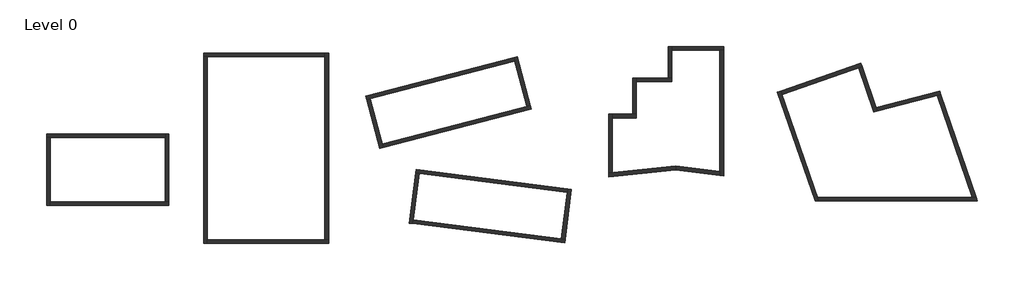
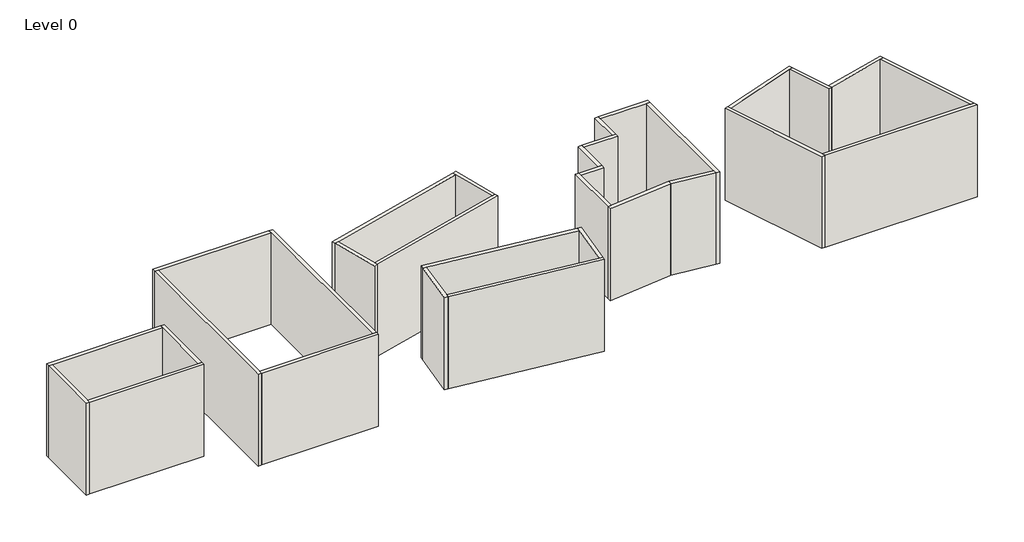
# One storey: 31 walls.
"""IFC4 building model written with IfcOpenShell, lengths in millimetres."""

from ifc_helpers import new_model, si_unit, origin, origin_with_axes, place, context, project, spatial, polyline, outline, extrude, faceted_brep, element, save

model = new_model("IFC4")

# Units and contexts
model_context = context("Model", 3, world=origin())
ifc_project = project(units=[si_unit("LENGTHUNIT", "METRE", prefix="MILLI")], contexts=[model_context])

# Site, building, storey
site = spatial("IfcSite", under=ifc_project)
building = spatial("IfcBuilding", under=site)
storey = spatial("IfcBuildingStorey", under=building, Name="Level 0", Elevation=0.0)

# Walls
placement = place(None, origin())
element("IfcWall", 1, at=placement, inside=storey, context=model_context, shape_type="Brep", body=[
    faceted_brep([(-11228.3364733, 3106.8030181, 0.0), (-10938.3364733, 3106.8030181, 0.0), (-1828.3364733, 3106.8030181, 0.0), (-1828.3364733, 3106.8030181, 8000.0), (-10938.3364733, 3106.8030181, 8000.0), (-11228.3364733, 3106.8030181, 8000.0), (-11228.3364733, 3396.8030181, 0.0), (-11228.3364733, 3396.8030181, 8000.0), (-1828.3364733, 3396.8030181, 8000.0), (-1828.3364733, 3396.8030181, 0.0)], [[[0, 1, 2, 3, 4, 5]], [[6, 7, 8, 9]], [[2, 1, 0, 6, 9]], [[5, 4, 3, 8, 7]], [[0, 5, 7, 6]], [[3, 2, 9, 8]]]),
])
element("IfcWall", 2, at=placement, inside=storey, context=model_context, shape_type="Brep", body=[
    faceted_brep([(-10938.3364733, -2293.1969819, 0.0), (-10938.3364733, -2003.1969819, 0.0), (-10938.3364733, 3106.8030181, 0.0), (-10938.3364733, 3106.8030181, 8000.0), (-10938.3364733, -2003.1969819, 8000.0), (-10938.3364733, -2293.1969819, 8000.0), (-11228.3364733, -2293.1969819, 0.0), (-11228.3364733, -2293.1969819, 8000.0), (-11228.3364733, 3106.8030181, 8000.0), (-11228.3364733, 3106.8030181, 0.0)], [[[0, 1, 2, 3, 4, 5]], [[6, 7, 8, 9]], [[2, 1, 0, 6, 9]], [[5, 4, 3, 8, 7]], [[0, 5, 7, 6]], [[3, 2, 9, 8]]]),
])
element("IfcWall", 3, at=placement, inside=storey, context=model_context, shape_type="Brep", body=[
    faceted_brep([(-1538.3364733, -2003.1969819, 0.0), (-1828.3364733, -2003.1969819, 0.0), (-10938.3364733, -2003.1969819, 0.0), (-10938.3364733, -2003.1969819, 8000.0), (-1828.3364733, -2003.1969819, 8000.0), (-1538.3364733, -2003.1969819, 8000.0), (-1538.3364733, -2293.1969819, 0.0), (-1538.3364733, -2293.1969819, 8000.0), (-10938.3364733, -2293.1969819, 8000.0), (-10938.3364733, -2293.1969819, 0.0)], [[[0, 1, 2, 3, 4, 5]], [[6, 7, 8, 9]], [[2, 1, 0, 6, 9]], [[5, 4, 3, 8, 7]], [[0, 5, 7, 6]], [[3, 2, 9, 8]]]),
])
element("IfcWall", 4, at=placement, inside=storey, context=model_context, shape_type="Brep", body=[
    faceted_brep([(-1828.3364733, 3396.8030181, 0.0), (-1828.3364733, 3106.8030181, 0.0), (-1828.3364733, -2003.1969819, 0.0), (-1828.3364733, -2003.1969819, 8000.0), (-1828.3364733, 3106.8030181, 8000.0), (-1828.3364733, 3396.8030181, 8000.0), (-1538.3364733, 3396.8030181, 0.0), (-1538.3364733, 3396.8030181, 8000.0), (-1538.3364733, -2003.1969819, 8000.0), (-1538.3364733, -2003.1969819, 0.0)], [[[0, 1, 2, 3, 4, 5]], [[6, 7, 8, 9]], [[2, 1, 0, 6, 9]], [[5, 4, 3, 8, 7]], [[0, 5, 7, 6]], [[3, 2, 9, 8]]]),
])
element("IfcWall", 5, at=placement, inside=storey, context=model_context, shape_type="Brep", body=[
    faceted_brep([(1208.0250491, 9510.3496014, 0.0), (1498.0250491, 9510.3496014, 0.0), (10808.0250491, 9510.3496014, 0.0), (10808.0250491, 9510.3496014, 8000.0), (1498.0250491, 9510.3496014, 8000.0), (1208.0250491, 9510.3496014, 8000.0), (1208.0250491, 9800.3496014, 0.0), (1208.0250491, 9800.3496014, 8000.0), (10808.0250491, 9800.3496014, 8000.0), (10808.0250491, 9800.3496014, 0.0)], [[[0, 1, 2, 3, 4, 5]], [[6, 7, 8, 9]], [[2, 1, 0, 6, 9]], [[5, 4, 3, 8, 7]], [[0, 5, 7, 6]], [[3, 2, 9, 8]]]),
])
element("IfcWall", 6, at=placement, inside=storey, context=model_context, shape_type="Brep", body=[
    faceted_brep([(1498.0250491, -5289.6503986, 0.0), (1498.0250491, -4999.6503986, 0.0), (1498.0250491, 9510.3496014, 0.0), (1498.0250491, 9510.3496014, 8000.0), (1498.0250491, -4999.6503986, 8000.0), (1498.0250491, -5289.6503986, 8000.0), (1208.0250491, -5289.6503986, 0.0), (1208.0250491, -5289.6503986, 8000.0), (1208.0250491, 9510.3496014, 8000.0), (1208.0250491, 9510.3496014, 0.0)], [[[0, 1, 2, 3, 4, 5]], [[6, 7, 8, 9]], [[2, 1, 0, 6, 9]], [[5, 4, 3, 8, 7]], [[0, 5, 7, 6]], [[3, 2, 9, 8]]]),
])
element("IfcWall", 7, at=placement, inside=storey, context=model_context, shape_type="Brep", body=[
    faceted_brep([(11098.0250491, -4999.6503986, 0.0), (10808.0250491, -4999.6503986, 0.0), (1498.0250491, -4999.6503986, 0.0), (1498.0250491, -4999.6503986, 8000.0), (10808.0250491, -4999.6503986, 8000.0), (11098.0250491, -4999.6503986, 8000.0), (11098.0250491, -5289.6503986, 0.0), (11098.0250491, -5289.6503986, 8000.0), (1498.0250491, -5289.6503986, 8000.0), (1498.0250491, -5289.6503986, 0.0)], [[[0, 1, 2, 3, 4, 5]], [[6, 7, 8, 9]], [[2, 1, 0, 6, 9]], [[5, 4, 3, 8, 7]], [[0, 5, 7, 6]], [[3, 2, 9, 8]]]),
])
element("IfcWall", 8, at=placement, inside=storey, context=model_context, shape_type="Brep", body=[
    faceted_brep([(10808.0250491, 9800.3496014, 0.0), (10808.0250491, 9510.3496014, 0.0), (10808.0250491, -4999.6503986, 0.0), (10808.0250491, -4999.6503986, 8000.0), (10808.0250491, 9510.3496014, 8000.0), (10808.0250491, 9800.3496014, 8000.0), (11098.0250491, 9800.3496014, 0.0), (11098.0250491, 9800.3496014, 8000.0), (11098.0250491, -4999.6503986, 8000.0), (11098.0250491, -4999.6503986, 0.0)], [[[0, 1, 2, 3, 4, 5]], [[6, 7, 8, 9]], [[2, 1, 0, 6, 9]], [[5, 4, 3, 8, 7]], [[0, 5, 7, 6]], [[3, 2, 9, 8]]]),
])
element("IfcWall", 9, at=placement, inside=storey, context=model_context, shape_type="Brep", body=[
    faceted_brep([(14117.7780375, 6087.6208519, 0.0), (14398.2431968, 6161.3724245, 0.0), (25819.9450263, 9164.8416382, 0.0), (25819.9450263, 9164.8416382, 8000.0), (14398.2431968, 6161.3724245, 8000.0), (14117.7780375, 6087.6208519, 8000.0), (14044.026465, 6368.0860111, 0.0), (14044.026465, 6368.0860111, 8000.0), (25746.1934537, 9445.3067974, 8000.0), (25746.1934537, 9445.3067974, 0.0)], [[[0, 1, 2, 3, 4, 5]], [[6, 7, 8, 9]], [[2, 1, 0, 6, 9]], [[5, 4, 3, 8, 7]], [[0, 5, 7, 6]], [[3, 2, 9, 8]]]),
])
element("IfcWall", 10, at=placement, inside=storey, context=model_context, shape_type="Brep", body=[
    faceted_brep([(15415.5062666, 2292.8874695, 0.0), (15341.754694, 2573.3526287, 0.0), (14398.2431968, 6161.3724245, 0.0), (14398.2431968, 6161.3724245, 8000.0), (15341.754694, 2573.3526287, 8000.0), (15415.5062666, 2292.8874695, 8000.0), (15135.0411074, 2219.135897, 0.0), (15135.0411074, 2219.135897, 8000.0), (14117.7780375, 6087.6208519, 8000.0), (14117.7780375, 6087.6208519, 0.0)], [[[0, 1, 2, 3, 4, 5]], [[6, 7, 8, 9]], [[2, 1, 0, 6, 9]], [[5, 4, 3, 8, 7]], [[0, 5, 7, 6]], [[3, 2, 9, 8]]]),
])
element("IfcWall", 11, at=placement, inside=storey, context=model_context, shape_type="Brep", body=[
    faceted_brep([(27043.9216828, 5650.573415, 0.0), (26763.4565236, 5576.8218424, 0.0), (15341.754694, 2573.3526287, 0.0), (15341.754694, 2573.3526287, 8000.0), (26763.4565236, 5576.8218424, 8000.0), (27043.9216828, 5650.573415, 8000.0), (27117.6732553, 5370.1082558, 0.0), (27117.6732553, 5370.1082558, 8000.0), (15415.5062666, 2292.8874695, 8000.0), (15415.5062666, 2292.8874695, 0.0)], [[[0, 1, 2, 3, 4, 5]], [[6, 7, 8, 9]], [[2, 1, 0, 6, 9]], [[5, 4, 3, 8, 7]], [[0, 5, 7, 6]], [[3, 2, 9, 8]]]),
])
element("IfcWall", 12, at=placement, inside=storey, context=model_context, shape_type="Brep", body=[
    faceted_brep([(25746.1934537, 9445.3067974, 0.0), (25819.9450263, 9164.8416382, 0.0), (26763.4565236, 5576.8218424, 0.0), (26763.4565236, 5576.8218424, 8000.0), (25819.9450263, 9164.8416382, 8000.0), (25746.1934537, 9445.3067974, 8000.0), (26026.658613, 9519.0583699, 0.0), (26026.658613, 9519.0583699, 8000.0), (27043.9216828, 5650.573415, 8000.0), (27043.9216828, 5650.573415, 0.0)], [[[0, 1, 2, 3, 4, 5]], [[6, 7, 8, 9]], [[2, 1, 0, 6, 9]], [[5, 4, 3, 8, 7]], [[0, 5, 7, 6]], [[3, 2, 9, 8]]]),
])
element("IfcWall", 13, at=placement, inside=storey, context=model_context, shape_type="Brep", body=[
    faceted_brep([(17983.6477654, 279.0634335, 0.0), (18271.3183582, 242.380603, 0.0), (29986.4552568, -1251.4960478, 0.0), (29986.4552568, -1251.4960478, 8000.0), (18271.3183582, 242.380603, 8000.0), (17983.6477654, 279.0634335, 8000.0), (18020.330596, 566.7340263, 0.0), (18020.330596, 566.7340263, 8000.0), (30023.1380873, -963.825455, 8000.0), (30023.1380873, -963.825455, 0.0)], [[[0, 1, 2, 3, 4, 5]], [[6, 7, 8, 9]], [[2, 1, 0, 6, 9]], [[5, 4, 3, 8, 7]], [[0, 5, 7, 6]], [[3, 2, 9, 8]]]),
])
element("IfcWall", 14, at=placement, inside=storey, context=model_context, shape_type="Brep", body=[
    faceted_brep([(17765.3482817, -3725.4896421, 0.0), (17802.0311123, -3437.8190493, 0.0), (18271.3183582, 242.380603, 0.0), (18271.3183582, 242.380603, 8000.0), (17802.0311123, -3437.8190493, 8000.0), (17765.3482817, -3725.4896421, 8000.0), (17477.677689, -3688.8068116, 0.0), (17477.677689, -3688.8068116, 8000.0), (17983.6477654, 279.0634335, 8000.0), (17983.6477654, 279.0634335, 0.0)], [[[0, 1, 2, 3, 4, 5]], [[6, 7, 8, 9]], [[2, 1, 0, 6, 9]], [[5, 4, 3, 8, 7]], [[0, 5, 7, 6]], [[3, 2, 9, 8]]]),
])
element("IfcWall", 15, at=placement, inside=storey, context=model_context, shape_type="Brep", body=[
    faceted_brep([(29804.8386036, -4968.3785306, 0.0), (29517.1680108, -4931.6957001, 0.0), (17802.0311123, -3437.8190493, 0.0), (17802.0311123, -3437.8190493, 8000.0), (29517.1680108, -4931.6957001, 8000.0), (29804.8386036, -4968.3785306, 8000.0), (29768.1557731, -5256.0491234, 0.0), (29768.1557731, -5256.0491234, 8000.0), (17765.3482817, -3725.4896421, 8000.0), (17765.3482817, -3725.4896421, 0.0)], [[[0, 1, 2, 3, 4, 5]], [[6, 7, 8, 9]], [[2, 1, 0, 6, 9]], [[5, 4, 3, 8, 7]], [[0, 5, 7, 6]], [[3, 2, 9, 8]]]),
])
element("IfcWall", 16, at=placement, inside=storey, context=model_context, shape_type="Brep", body=[
    faceted_brep([(30023.1380873, -963.825455, 0.0), (29986.4552568, -1251.4960478, 0.0), (29517.1680108, -4931.6957001, 0.0), (29517.1680108, -4931.6957001, 8000.0), (29986.4552568, -1251.4960478, 8000.0), (30023.1380873, -963.825455, 8000.0), (30310.8086801, -1000.5082856, 0.0), (30310.8086801, -1000.5082856, 8000.0), (29804.8386036, -4968.3785306, 8000.0), (29804.8386036, -4968.3785306, 0.0)], [[[0, 1, 2, 3, 4, 5]], [[6, 7, 8, 9]], [[2, 1, 0, 6, 9]], [[5, 4, 3, 8, 7]], [[0, 5, 7, 6]], [[3, 2, 9, 8]]]),
])
element("IfcWall", 17, at=placement, inside=storey, context=model_context, shape_type="Brep", body=[
    faceted_brep([(33549.4608427, 308.9702209, 0.0), (33549.4608427, 4652.0361663, 0.0), (33549.4608427, 4942.0361663, 0.0), (33549.4608427, 4942.0361663, 8000.0), (33549.4608427, 4652.0361663, 8000.0), (33549.4608427, 308.9702209, 8000.0), (33259.4608427, 278.4899927, 0.0), (33259.4608427, 278.4899927, 8000.0), (33259.4608427, 4942.0361663, 8000.0), (33259.4608427, 4942.0361663, 0.0)], [[[0, 1, 2, 3, 4, 5]], [[6, 7, 8, 9]], [[2, 1, 0, 6, 9]], [[5, 4, 3, 8, 7]], [[3, 2, 9, 8]], [[0, 5, 7, 6]]]),
])
element("IfcWall", 18, at=placement, inside=storey, context=model_context, shape_type="Brep", body=[
    faceted_brep([(33549.4608427, 4652.0361663, 0.0), (35449.4608427, 4652.0361663, 0.0), (35449.4608427, 4652.0361663, 8000.0), (33549.4608427, 4652.0361663, 8000.0), (33549.4608427, 4942.0361663, 0.0), (33549.4608427, 4942.0361663, 8000.0), (35159.4608427, 4942.0361663, 8000.0), (35449.4608427, 4942.0361663, 8000.0), (35449.4608427, 4942.0361663, 0.0), (35159.4608427, 4942.0361663, 0.0)], [[[0, 1, 2, 3]], [[4, 5, 6, 7, 8, 9]], [[1, 0, 4, 9, 8]], [[3, 2, 7, 6, 5]], [[0, 3, 5, 4]], [[2, 1, 8, 7]]]),
])
element("IfcWall", 19, at=placement, inside=storey, context=model_context, shape_type="Brep", body=[
    faceted_brep([(35449.4608427, 4942.0361663, 0.0), (35449.4608427, 7527.8486766, 0.0), (35449.4608427, 7817.8486766, 0.0), (35449.4608427, 7817.8486766, 8000.0), (35449.4608427, 7527.8486766, 8000.0), (35449.4608427, 4942.0361663, 8000.0), (35159.4608427, 4942.0361663, 0.0), (35159.4608427, 4942.0361663, 8000.0), (35159.4608427, 7817.8486766, 8000.0), (35159.4608427, 7817.8486766, 0.0)], [[[0, 1, 2, 3, 4, 5]], [[6, 7, 8, 9]], [[2, 1, 0, 6, 9]], [[5, 4, 3, 8, 7]], [[0, 5, 7, 6]], [[3, 2, 9, 8]]]),
])
element("IfcWall", 20, at=placement, inside=storey, context=model_context, shape_type="Brep", body=[
    faceted_brep([(35449.4608427, 7527.8486766, 0.0), (38249.4608427, 7527.8486766, 0.0), (38249.4608427, 7527.8486766, 8000.0), (35449.4608427, 7527.8486766, 8000.0), (35449.4608427, 7817.8486766, 0.0), (35449.4608427, 7817.8486766, 8000.0), (37959.4608427, 7817.8486766, 8000.0), (38249.4608427, 7817.8486766, 8000.0), (38249.4608427, 7817.8486766, 0.0), (37959.4608427, 7817.8486766, 0.0)], [[[0, 1, 2, 3]], [[4, 5, 6, 7, 8, 9]], [[1, 0, 4, 9, 8]], [[3, 2, 7, 6, 5]], [[0, 3, 5, 4]], [[2, 1, 8, 7]]]),
])
element("IfcWall", 21, at=placement, inside=storey, context=model_context, shape_type="Brep", body=[
    faceted_brep([(38249.4608427, 7817.8486766, 0.0), (38249.4608427, 10027.8486766, 0.0), (38249.4608427, 10317.8486766, 0.0), (38249.4608427, 10317.8486766, 8000.0), (38249.4608427, 10027.8486766, 8000.0), (38249.4608427, 7817.8486766, 8000.0), (37959.4608427, 7817.8486766, 0.0), (37959.4608427, 7817.8486766, 8000.0), (37959.4608427, 10317.8486766, 8000.0), (37959.4608427, 10317.8486766, 0.0)], [[[0, 1, 2, 3, 4, 5]], [[6, 7, 8, 9]], [[2, 1, 0, 6, 9]], [[5, 4, 3, 8, 7]], [[0, 5, 7, 6]], [[3, 2, 9, 8]]]),
])
element("IfcWall", 22, at=placement, inside=storey, context=model_context, shape_type="Brep", body=[
    faceted_brep([(38249.4608427, 10027.8486766, 0.0), (42059.4608427, 10027.8486766, 0.0), (42349.4608427, 10027.8486766, 0.0), (42349.4608427, 10027.8486766, 8000.0), (42059.4608427, 10027.8486766, 8000.0), (38249.4608427, 10027.8486766, 8000.0), (38249.4608427, 10317.8486766, 0.0), (38249.4608427, 10317.8486766, 8000.0), (42349.4608427, 10317.8486766, 8000.0), (42349.4608427, 10317.8486766, 0.0)], [[[0, 1, 2, 3, 4, 5]], [[6, 7, 8, 9]], [[2, 1, 0, 6, 9]], [[5, 4, 3, 8, 7]], [[0, 5, 7, 6]], [[3, 2, 9, 8]]]),
])
element("IfcWall", 23, at=placement, inside=storey, context=model_context, shape_type="Brep", body=[
    faceted_brep([(42059.4608427, 10027.8486766, 0.0), (42059.4608427, 393.4505792, 0.0), (42059.4608427, 101.1023096, 0.0), (42059.4608427, 101.1023096, 8000.0), (42059.4608427, 393.4505792, 8000.0), (42059.4608427, 10027.8486766, 8000.0), (42349.4608427, 10027.8486766, 0.0), (42349.4608427, 10027.8486766, 8000.0), (42349.4608427, 64.1224406, 8000.0), (42349.4608427, 64.1224406, 0.0)], [[[0, 1, 2, 3, 4, 5]], [[6, 7, 8, 9]], [[2, 1, 0, 6, 9]], [[5, 4, 3, 8, 7]], [[0, 5, 7, 6]], [[3, 2, 9, 8]]]),
])
element("IfcWall", 24, at=placement, inside=storey, context=model_context, shape_type="Brep", body=[
    faceted_brep([(38577.5886294, 837.4477467, 0.0), (33549.4608427, 308.9702209, 0.0), (33259.4608427, 278.4899927, 0.0), (33259.4608427, 278.4899927, 8000.0), (33549.4608427, 308.9702209, 8000.0), (38577.5886294, 837.4477467, 8000.0), (38574.3607678, 545.5110837, 0.0), (38574.3607678, 545.5110837, 8000.0), (33259.4608427, -13.1074084, 8000.0), (33259.4608427, -13.1074084, 0.0)], [[[0, 1, 2, 3, 4, 5]], [[6, 7, 8, 9]], [[2, 1, 0, 6, 9]], [[5, 4, 3, 8, 7]], [[3, 2, 9, 8]], [[0, 5, 7, 6]]]),
])
element("IfcWall", 25, at=placement, inside=storey, context=model_context, shape_type="Brep", body=[
    faceted_brep([(49893.8753051, -1929.6974996, 0.0), (49794.0202972, -1639.6974996, 0.0), (46983.7696132, 6521.863106, 0.0), (46889.3548484, 6796.0634929, 0.0), (46889.3548484, 6796.0634929, 8000.0), (46983.7696132, 6521.863106, 8000.0), (49794.0202972, -1639.6974996, 8000.0), (49893.8753051, -1929.6974996, 8000.0), (49587.1653075, -1929.6974996, 0.0), (49587.1653075, -1929.6974996, 8000.0), (46615.1544615, 6701.6487281, 8000.0), (46615.1544615, 6701.6487281, 0.0)], [[[0, 1, 2, 3, 4, 5, 6, 7]], [[8, 9, 10, 11]], [[3, 2, 1, 0, 8, 11]], [[7, 6, 5, 4, 10, 9]], [[4, 3, 11, 10]], [[0, 7, 9, 8]]]),
])
element("IfcWall", 26, at=placement, inside=storey, context=model_context, shape_type="Brep", body=[
    faceted_brep([(46983.7696132, 6521.863106, 0.0), (53044.5436828, 8608.754976, 0.0), (53318.7440697, 8703.1697408, 0.0), (53318.7440697, 8703.1697408, 8000.0), (53044.5436828, 8608.754976, 8000.0), (46983.7696132, 6521.863106, 8000.0), (46889.3548484, 6796.0634929, 0.0), (46889.3548484, 6796.0634929, 8000.0), (53224.3293049, 8977.3701277, 8000.0), (53224.3293049, 8977.3701277, 0.0)], [[[0, 1, 2, 3, 4, 5]], [[6, 7, 8, 9]], [[2, 1, 0, 6, 9]], [[5, 4, 3, 8, 7]], [[0, 5, 7, 6]], [[3, 2, 9, 8]]]),
])
element("IfcWall", 27, at=placement, inside=storey, context=model_context, shape_type="Brep", body=[
    faceted_brep([(53044.5436828, 8608.754976, 0.0), (54245.7549052, 5120.1842774, 0.0), (54245.7549052, 5120.1842774, 8000.0), (53044.5436828, 8608.754976, 8000.0), (53318.7440697, 8703.1697408, 0.0), (53318.7440697, 8703.1697408, 8000.0), (54432.3224254, 5469.1033669, 8000.0), (54526.9996154, 5194.1408419, 8000.0), (54526.9996154, 5194.1408419, 0.0), (54432.3224254, 5469.1033669, 0.0)], [[[0, 1, 2, 3]], [[4, 5, 6, 7, 8, 9]], [[1, 0, 4, 9, 8]], [[3, 2, 7, 6, 5]], [[0, 3, 5, 4]], [[2, 1, 8, 7]]]),
])
element("IfcWall", 28, at=placement, inside=storey, context=model_context, shape_type="Brep", body=[
    faceted_brep([(54526.9996154, 5194.1408419, 0.0), (59254.5166248, 6437.2963723, 0.0), (59535.761335, 6511.2529368, 0.0), (59535.761335, 6511.2529368, 8000.0), (59254.5166248, 6437.2963723, 8000.0), (54526.9996154, 5194.1408419, 8000.0), (54432.3224254, 5469.1033669, 0.0), (54432.3224254, 5469.1033669, 8000.0), (59441.084145, 6786.2154618, 8000.0), (59441.084145, 6786.2154618, 0.0)], [[[0, 1, 2, 3, 4, 5]], [[6, 7, 8, 9]], [[2, 1, 0, 6, 9]], [[5, 4, 3, 8, 7]], [[0, 5, 7, 6]], [[3, 2, 9, 8]]]),
])
element("IfcWall", 29, at=placement, inside=storey, context=model_context, shape_type="SweptSolid", body=[
    extrude(outline(polyline([(62035.6486473, -1639.6974996), (59254.5166248, 6437.2963723), (59535.761335, 6511.2529368), (62342.3586448, -1639.6974996), (62035.6486473, -1639.6974996)])), origin_with_axes(), (0.0, 0.0, 1.0), 8000.0),
])
element("IfcWall", 30, at=placement, inside=storey, context=model_context, shape_type="Brep", body=[
    faceted_brep([(49893.8753051, -1929.6974996, 0.0), (62442.2136527, -1929.6974996, 0.0), (62442.2136527, -1929.6974996, 8000.0), (49893.8753051, -1929.6974996, 8000.0), (49794.0202972, -1639.6974996, 0.0), (49794.0202972, -1639.6974996, 8000.0), (62035.6486473, -1639.6974996, 8000.0), (62342.3586448, -1639.6974996, 8000.0), (62342.3586448, -1639.6974996, 0.0), (62035.6486473, -1639.6974996, 0.0)], [[[0, 1, 2, 3]], [[4, 5, 6, 7, 8, 9]], [[1, 0, 4, 9, 8]], [[3, 2, 7, 6, 5]], [[0, 3, 5, 4]], [[2, 1, 8, 7]]]),
])
element("IfcWall", 31, at=placement, inside=storey, context=model_context, shape_type="SweptSolid", body=[
    extrude(outline(polyline([(42059.4608427, 101.1023096), (38574.3607678, 545.5110837), (38577.5886294, 837.4477467), (42059.4608427, 393.4505792), (42059.4608427, 101.1023096)])), origin_with_axes(), (0.0, 0.0, 1.0), 8000.0),
])

save(model, "model.ifc")
